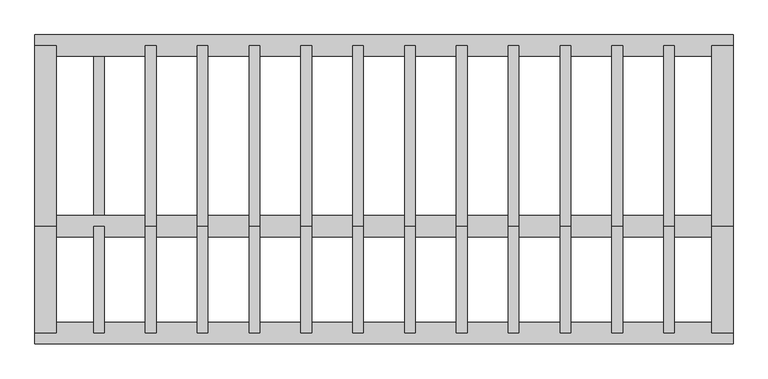
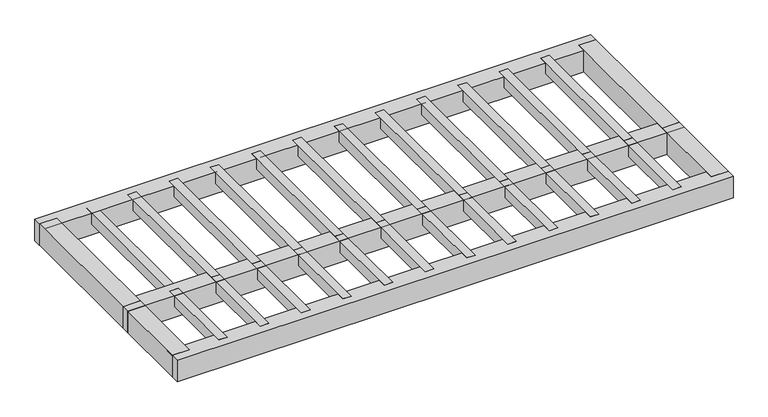
"""IFC4 building model written with IfcOpenShell, lengths in millimetres: proxy geometry."""

from ifc_helpers import new_model, si_unit, frame, origin, place, context, project, spatial, polyline, outline, extrude, source, transform, mapped, element, save


def generic_models_536956e8(model_context):
    return source(origin(), model_context, "Body", "SweptSolid", [
        extrude(outline(polyline([(3347.7272727, -2743.0864198), (3197.7272727, -2743.0864198), (3197.7272727, -1243.0864198), (3347.7272727, -1243.0864198), (3347.7272727, -2743.0864198)])), frame((0.0, 0.0, 400.0), z_axis=(0.0, 0.0, 1.0), x_axis=(1.0, 0.0, 0.0)), (0.0, 0.0, 1.0), 200.0),
        extrude(outline(polyline([(3347.7272727, -1243.0864198), (3197.7272727, -1243.0864198), (3197.7272727, 1296.9135802), (3347.7272727, 1296.9135802), (3347.7272727, -1243.0864198)])), frame((0.0, 0.0, 400.0), z_axis=(0.0, 0.0, 1.0), x_axis=(1.0, 0.0, 0.0)), (0.0, 0.0, 1.0), 200.0),
        extrude(outline(polyline([(2620.4545455, -2743.0864198), (2470.4545455, -2743.0864198), (2470.4545455, -1243.0864198), (2620.4545455, -1243.0864198), (2620.4545455, -2743.0864198)])), frame((0.0, 0.0, 400.0), z_axis=(0.0, 0.0, 1.0), x_axis=(1.0, 0.0, 0.0)), (0.0, 0.0, 1.0), 200.0),
        extrude(outline(polyline([(1893.1818182, -2743.0864198), (1743.1818182, -2743.0864198), (1743.1818182, -1243.0864198), (1893.1818182, -1243.0864198), (1893.1818182, -2743.0864198)])), frame((0.0, 0.0, 400.0), z_axis=(0.0, 0.0, 1.0), x_axis=(1.0, 0.0, 0.0)), (0.0, 0.0, 1.0), 200.0),
        extrude(outline(polyline([(1165.9090909, -2743.0864198), (1015.9090909, -2743.0864198), (1015.9090909, -1243.0864198), (1165.9090909, -1243.0864198), (1165.9090909, -2743.0864198)])), frame((0.0, 0.0, 400.0), z_axis=(0.0, 0.0, 1.0), x_axis=(1.0, 0.0, 0.0)), (0.0, 0.0, 1.0), 200.0),
        extrude(outline(polyline([(2620.4545455, -1243.0864198), (2470.4545455, -1243.0864198), (2470.4545455, 1296.9135802), (2620.4545455, 1296.9135802), (2620.4545455, -1243.0864198)])), frame((0.0, 0.0, 400.0), z_axis=(0.0, 0.0, 1.0), x_axis=(1.0, 0.0, 0.0)), (0.0, 0.0, 1.0), 200.0),
        extrude(outline(polyline([(1893.1818182, -1243.0864198), (1743.1818182, -1243.0864198), (1743.1818182, 1296.9135802), (1893.1818182, 1296.9135802), (1893.1818182, -1243.0864198)])), frame((0.0, 0.0, 400.0), z_axis=(0.0, 0.0, 1.0), x_axis=(1.0, 0.0, 0.0)), (0.0, 0.0, 1.0), 200.0),
        extrude(outline(polyline([(438.6363636, -2743.0864198), (288.6363636, -2743.0864198), (288.6363636, -1243.0864198), (438.6363636, -1243.0864198), (438.6363636, -2743.0864198)])), frame((0.0, 0.0, 400.0), z_axis=(0.0, 0.0, 1.0), x_axis=(1.0, 0.0, 0.0)), (0.0, 0.0, 1.0), 200.0),
        extrude(outline(polyline([(-288.6363636, -2743.0864198), (-438.6363636, -2743.0864198), (-438.6363636, -1243.0864198), (-288.6363636, -1243.0864198), (-288.6363636, -2743.0864198)])), frame((0.0, 0.0, 400.0), z_axis=(0.0, 0.0, 1.0), x_axis=(1.0, 0.0, 0.0)), (0.0, 0.0, 1.0), 200.0),
        extrude(outline(polyline([(-1015.9090909, -2743.0864198), (-1165.9090909, -2743.0864198), (-1165.9090909, -1243.0864198), (-1015.9090909, -1243.0864198), (-1015.9090909, -2743.0864198)])), frame((0.0, 0.0, 400.0), z_axis=(0.0, 0.0, 1.0), x_axis=(1.0, 0.0, 0.0)), (0.0, 0.0, 1.0), 200.0),
        extrude(outline(polyline([(-1743.1818182, -2743.0864198), (-1893.1818182, -2743.0864198), (-1893.1818182, -1243.0864198), (-1743.1818182, -1243.0864198), (-1743.1818182, -2743.0864198)])), frame((0.0, 0.0, 400.0), z_axis=(0.0, 0.0, 1.0), x_axis=(1.0, 0.0, 0.0)), (0.0, 0.0, 1.0), 200.0),
        extrude(outline(polyline([(-2470.4545455, -2743.0864198), (-2620.4545455, -2743.0864198), (-2620.4545455, -1243.0864198), (-2470.4545455, -1243.0864198), (-2470.4545455, -2743.0864198)])), frame((0.0, 0.0, 400.0), z_axis=(0.0, 0.0, 1.0), x_axis=(1.0, 0.0, 0.0)), (0.0, 0.0, 1.0), 200.0),
        extrude(outline(polyline([(-3197.7272727, -2743.0864198), (-3347.7272727, -2743.0864198), (-3347.7272727, -1243.0864198), (-3197.7272727, -1243.0864198), (-3197.7272727, -2743.0864198)])), frame((0.0, 0.0, 400.0), z_axis=(0.0, 0.0, 1.0), x_axis=(1.0, 0.0, 0.0)), (0.0, 0.0, 1.0), 200.0),
        extrude(outline(polyline([(4075.0, -2743.0864198), (3925.0, -2743.0864198), (3925.0, -1243.0864198), (4075.0, -1243.0864198), (4075.0, -2743.0864198)])), frame((0.0, 0.0, 400.0), z_axis=(0.0, 0.0, 1.0), x_axis=(1.0, 0.0, 0.0)), (0.0, 0.0, 1.0), 200.0),
        extrude(outline(polyline([(1165.9090909, -1243.0864198), (1015.9090909, -1243.0864198), (1015.9090909, 1296.9135802), (1165.9090909, 1296.9135802), (1165.9090909, -1243.0864198)])), frame((0.0, 0.0, 400.0), z_axis=(0.0, 0.0, 1.0), x_axis=(1.0, 0.0, 0.0)), (0.0, 0.0, 1.0), 200.0),
        extrude(outline(polyline([(438.6363636, -1243.0864198), (288.6363636, -1243.0864198), (288.6363636, 1296.9135802), (438.6363636, 1296.9135802), (438.6363636, -1243.0864198)])), frame((0.0, 0.0, 400.0), z_axis=(0.0, 0.0, 1.0), x_axis=(1.0, 0.0, 0.0)), (0.0, 0.0, 1.0), 200.0),
        extrude(outline(polyline([(-288.6363636, -1243.0864198), (-438.6363636, -1243.0864198), (-438.6363636, 1296.9135802), (-288.6363636, 1296.9135802), (-288.6363636, -1243.0864198)])), frame((0.0, 0.0, 400.0), z_axis=(0.0, 0.0, 1.0), x_axis=(1.0, 0.0, 0.0)), (0.0, 0.0, 1.0), 200.0),
        extrude(outline(polyline([(-1015.9090909, -1243.0864198), (-1165.9090909, -1243.0864198), (-1165.9090909, 1296.9135802), (-1015.9090909, 1296.9135802), (-1015.9090909, -1243.0864198)])), frame((0.0, 0.0, 400.0), z_axis=(0.0, 0.0, 1.0), x_axis=(1.0, 0.0, 0.0)), (0.0, 0.0, 1.0), 200.0),
        extrude(outline(polyline([(-1743.1818182, -1243.0864198), (-1893.1818182, -1243.0864198), (-1893.1818182, 1296.9135802), (-1743.1818182, 1296.9135802), (-1743.1818182, -1243.0864198)])), frame((0.0, 0.0, 400.0), z_axis=(0.0, 0.0, 1.0), x_axis=(1.0, 0.0, 0.0)), (0.0, 0.0, 1.0), 200.0),
        extrude(outline(polyline([(-2470.4545455, -1243.0864198), (-2620.4545455, -1243.0864198), (-2620.4545455, 1296.9135802), (-2470.4545455, 1296.9135802), (-2470.4545455, -1243.0864198)])), frame((0.0, 0.0, 400.0), z_axis=(0.0, 0.0, 1.0), x_axis=(1.0, 0.0, 0.0)), (0.0, 0.0, 1.0), 200.0),
        extrude(outline(polyline([(-3197.7272727, -1243.0864198), (-3347.7272727, -1243.0864198), (-3347.7272727, 1296.9135802), (-3197.7272727, 1296.9135802), (-3197.7272727, -1243.0864198)])), frame((0.0, 0.0, 400.0), z_axis=(0.0, 0.0, 1.0), x_axis=(1.0, 0.0, 0.0)), (0.0, 0.0, 1.0), 200.0),
        extrude(outline(polyline([(4075.0, -1243.0864198), (3925.0, -1243.0864198), (3925.0, 1296.9135802), (4075.0, 1296.9135802), (4075.0, -1243.0864198)])), frame((0.0, 0.0, 400.0), z_axis=(0.0, 0.0, 1.0), x_axis=(1.0, 0.0, 0.0)), (0.0, 0.0, 1.0), 200.0),
        extrude(outline(polyline([(-4600.0, -1243.0864198), (-4600.0, -2743.0864198), (-4900.0, -2743.0864198), (-4900.0, -1243.0864198), (-4600.0, -1243.0864198)])), frame((0.0, 0.0, 200.0), z_axis=(0.0, 0.0, 1.0), x_axis=(1.0, 0.0, 0.0)), (0.0, 0.0, 1.0), 400.0),
        extrude(outline(polyline([(-4600.0, 1296.9135802), (-4600.0, -1243.0864198), (-4900.0, -1243.0864198), (-4900.0, 1296.9135802), (-4600.0, 1296.9135802)])), frame((0.0, 0.0, 200.0), z_axis=(0.0, 0.0, 1.0), x_axis=(1.0, 0.0, 0.0)), (0.0, 0.0, 1.0), 400.0),
        extrude(outline(polyline([(4900.0, -1243.0864198), (4900.0, -2743.0864198), (4600.0, -2743.0864198), (4600.0, -1243.0864198), (4900.0, -1243.0864198)])), frame((0.0, 0.0, 200.0), z_axis=(0.0, 0.0, 1.0), x_axis=(1.0, 0.0, 0.0)), (0.0, 0.0, 1.0), 400.0),
        extrude(outline(polyline([(-3925.0, -2743.0864198), (-4075.0, -2743.0864198), (-4075.0, -1243.0864198), (-3925.0, -1243.0864198), (-3925.0, -2743.0864198)])), frame((0.0, 0.0, 400.0), z_axis=(0.0, 0.0, 1.0), x_axis=(1.0, 0.0, 0.0)), (0.0, 0.0, 1.0), 200.0),
        extrude(outline(polyline([(4900.0, 1296.9135802), (4900.0, -1243.0864198), (4600.0, -1243.0864198), (4600.0, 1296.9135802), (4900.0, 1296.9135802)])), frame((0.0, 0.0, 200.0), z_axis=(0.0, 0.0, 1.0), x_axis=(1.0, 0.0, 0.0)), (0.0, 0.0, 1.0), 400.0),
        extrude(outline(polyline([(4900.0, -2893.0864198), (-4900.0, -2893.0864198), (-4900.0, -2593.0864198), (4900.0, -2593.0864198), (4900.0, -2893.0864198)])), frame((0.0, 0.0, 200.0), z_axis=(0.0, 0.0, 1.0), x_axis=(1.0, 0.0, 0.0)), (0.0, 0.0, 1.0), 400.0),
        extrude(outline(polyline([(4900.0, -1393.0864198), (-4900.0, -1393.0864198), (-4900.0, -1093.0864198), (4900.0, -1093.0864198), (4900.0, -1393.0864198)])), frame((0.0, 0.0, 200.0), z_axis=(0.0, 0.0, 1.0), x_axis=(1.0, 0.0, 0.0)), (0.0, 0.0, 1.0), 400.0),
        extrude(outline(polyline([(4900.0, 1446.9135802), (4900.0, 1146.9135802), (-4900.0, 1146.9135802), (-4900.0, 1446.9135802), (4900.0, 1446.9135802)])), frame((0.0, 0.0, 200.0), z_axis=(0.0, 0.0, 1.0), x_axis=(1.0, 0.0, 0.0)), (0.0, 0.0, 1.0), 400.0),
        extrude(outline(polyline([(-3925.0, -1243.0864198), (-4075.0, -1243.0864198), (-4075.0, 1296.9135802), (-3925.0, 1296.9135802), (-3925.0, -1243.0864198)])), frame((0.0, 0.0, 400.0), z_axis=(0.0, 0.0, 1.0), x_axis=(1.0, 0.0, 0.0)), (0.0, 0.0, 1.0), 200.0),
    ])


if __name__ == "__main__":
    model = new_model("IFC4")
    model_context = context("Model", 3, world=origin())
    ifc_project = project(units=[si_unit("LENGTHUNIT", "METRE", prefix="MILLI")], contexts=[model_context])
    site = spatial("IfcSite", under=ifc_project)
    building = spatial("IfcBuilding", under=site)
    placement = place(None, origin())
    generic_models_shape = generic_models_536956e8(model_context)
    element("IfcBuildingElementProxy", 1, Name="Generic Models", at=placement, inside=building, context=model_context, shape_type="MappedRepresentation", body=[
        mapped(generic_models_shape, transform((0.0, 0.0, 0.0), x_axis=(1.0, 0.0, 0.0), y_axis=(0.0, 1.0, 0.0), z_axis=(0.0, 0.0, 1.0))),
    ])
    save(model, "model.ifc")
